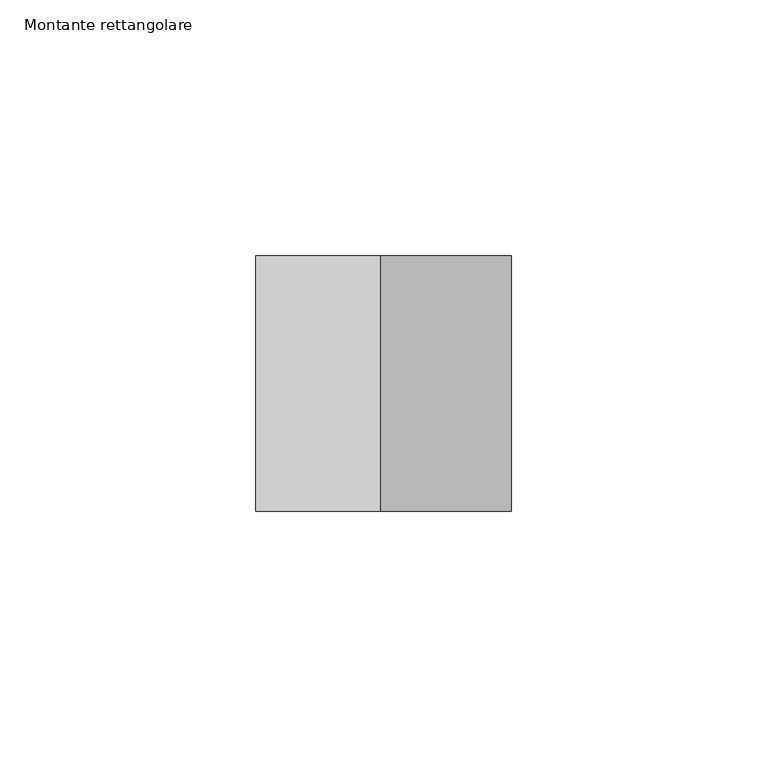
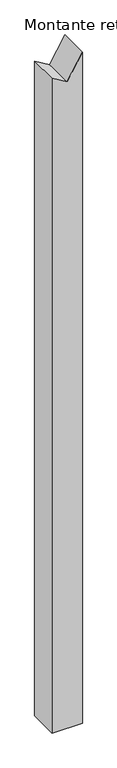
"""IFC4 building model written with IfcOpenShell, lengths in millimetres: member geometry, Montante rettangolare."""

from ifc_helpers import new_model, si_unit, frame, origin, place, context, project, spatial, polyline, outline, extrude, source, transform, mapped, element, save


def montante_rettangolare_e2720396(model_context):
    return source(origin(), model_context, "Body", "SweptSolid", [
        extrude(outline(polyline([(50.0, 0.0), (7.0073864, -25.5271459), (21.5383038, -50.0), (-1124.6203777, -50.0), (-1124.6203777, 0.0), (50.0, 0.0)])), frame((0.0, -25.0, 0.0), z_axis=(0.0, 1.0, 0.0), x_axis=(0.0, 0.0, 1.0)), (0.0, 0.0, 1.0), 50.0),
    ])


if __name__ == "__main__":
    model = new_model("IFC4")
    model_context = context("Model", 3, world=origin())
    ifc_project = project(units=[si_unit("LENGTHUNIT", "METRE", prefix="MILLI")], contexts=[model_context])
    site = spatial("IfcSite", under=ifc_project)
    building = spatial("IfcBuilding", under=site)
    placement = place(None, origin())
    montante_rettangolare_shape = montante_rettangolare_e2720396(model_context)
    element("IfcMember", 1, ObjectType="Montante rettangolare", at=placement, inside=building, context=model_context, shape_type="MappedRepresentation", body=[
        mapped(montante_rettangolare_shape, transform((0.0, 0.0, 0.0), x_axis=(1.0, 0.0, 0.0), y_axis=(0.0, 1.0, 0.0), z_axis=(0.0, 0.0, 1.0))),
    ])
    save(model, "model.ifc")
